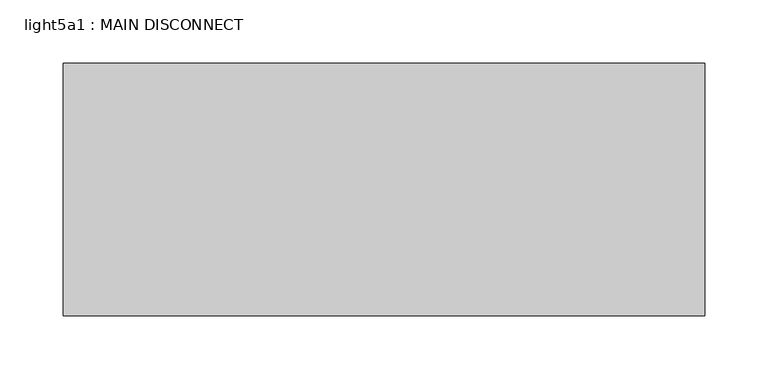
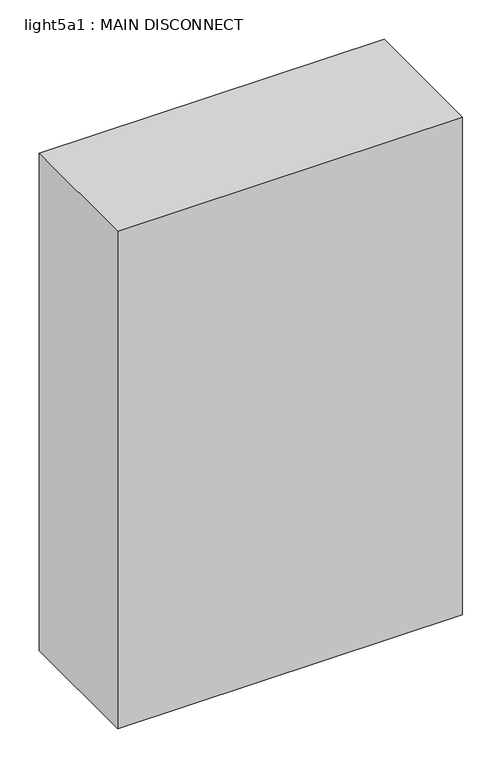
"""IFC4 building model written with IfcOpenShell, lengths in millimetres: proxy geometry, light5a1 : MAIN DISCONNECT."""

from ifc_helpers import new_model, si_unit, frame, origin, place, context, project, spatial, polyline, outline, extrude, source, transform, mapped, element, save


def light5a1_main_disconnect_28914642(model_context):
    return source(origin(), model_context, "Body", "SweptSolid", [
        extrude(outline(polyline([(433.3693622, -108.471353), (-74.6306378, -108.471353), (-74.6306378, 91.3029439), (433.3693622, 91.3029439), (433.3693622, -108.471353)])), frame((0.0, 0.0, 1136.65), z_axis=(0.0, 0.0, 1.0), x_axis=(1.0, 0.0, 0.0)), (0.0, 0.0, 1.0), 774.7),
    ])


if __name__ == "__main__":
    model = new_model("IFC4")
    model_context = context("Model", 3, world=origin())
    ifc_project = project(units=[si_unit("LENGTHUNIT", "METRE", prefix="MILLI")], contexts=[model_context])
    site = spatial("IfcSite", under=ifc_project)
    building = spatial("IfcBuilding", under=site)
    placement = place(None, origin())
    light5a1_main_disconnect_shape = light5a1_main_disconnect_28914642(model_context)
    element("IfcBuildingElementProxy", 1, Name="light5a1 : MAIN DISCONNECT", ObjectType="light5a1 : MAIN DISCONNECT", at=placement, inside=building, context=model_context, shape_type="MappedRepresentation", body=[
        mapped(light5a1_main_disconnect_shape, transform((0.0, 0.0, 0.0), x_axis=(1.0, 0.0, 0.0), y_axis=(0.0, 1.0, 0.0), z_axis=(0.0, 0.0, 1.0))),
    ])
    save(model, "model.ifc")
